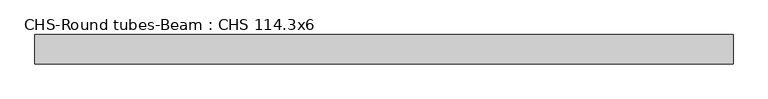
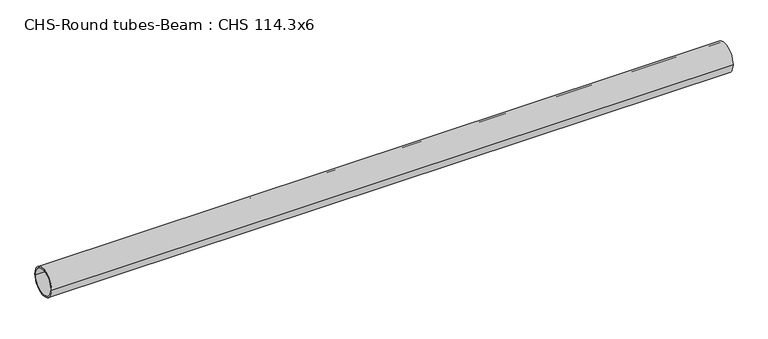
"""IFC4 building model written with IfcOpenShell, lengths in millimetres: beam geometry, CHS-Round tubes-Beam : CHS 114.3x6."""

from ifc_helpers import new_model, si_unit, point, frame, origin, origin_2d, place, context, project, spatial, circle_curve, trimmed, segment, composite_curve, outline, extrude, source, transform, mapped, element, save


def chs_round_tubes_beam_chs_114_3x6_287b9cd3(model_context):
    return source(origin(), model_context, "Body", "SweptSolid", [
        extrude(outline(composite_curve([segment(trimmed(circle_curve(origin_2d(), 57.15), [point((57.15, 0.0))], [point((-57.15, 0.0))], False, "CARTESIAN"), True, "CONTINUOUS"), segment(trimmed(circle_curve(origin_2d(), 57.15), [point((-57.15, 0.0))], [point((57.15, 0.0))], False, "CARTESIAN"), True, "CONTINUOUS")], self_intersect=False), holes=[composite_curve([segment(trimmed(circle_curve(origin_2d(), 51.15), [point((51.15, 0.0))], [point((-51.15, 0.0))], True, "CARTESIAN"), True, "CONTINUOUS"), segment(trimmed(circle_curve(origin_2d(), 51.15), [point((-51.15, 0.0))], [point((51.15, 0.0))], True, "CARTESIAN"), True, "CONTINUOUS")], self_intersect=False)]), frame((-1319.8793099, 0.0, 0.0), z_axis=(1.0, 0.0, 0.0), x_axis=(0.0, 1.0, 0.0)), (0.0, 0.0, 1.0), 2720.9368063),
    ])


if __name__ == "__main__":
    model = new_model("IFC4")
    model_context = context("Model", 3, world=origin())
    ifc_project = project(units=[si_unit("LENGTHUNIT", "METRE", prefix="MILLI")], contexts=[model_context])
    site = spatial("IfcSite", under=ifc_project)
    building = spatial("IfcBuilding", under=site)
    placement = place(None, origin())
    chs_round_tubes_beam_chs_114_3x6_shape = chs_round_tubes_beam_chs_114_3x6_287b9cd3(model_context)
    element("IfcBeam", 1, ObjectType="CHS-Round tubes-Beam : CHS 114.3x6", at=placement, inside=building, context=model_context, shape_type="MappedRepresentation", body=[
        mapped(chs_round_tubes_beam_chs_114_3x6_shape, transform((0.0, 0.0, 0.0), x_axis=(1.0, 0.0, 0.0), y_axis=(0.0, 1.0, 0.0), z_axis=(0.0, 0.0, 1.0))),
    ])
    save(model, "model.ifc")
